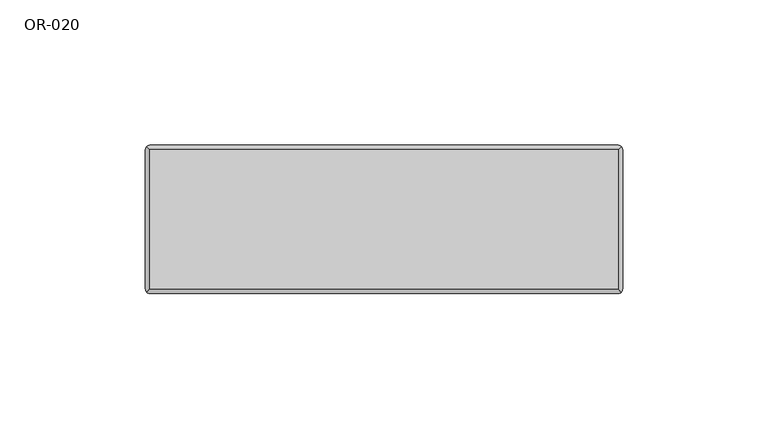
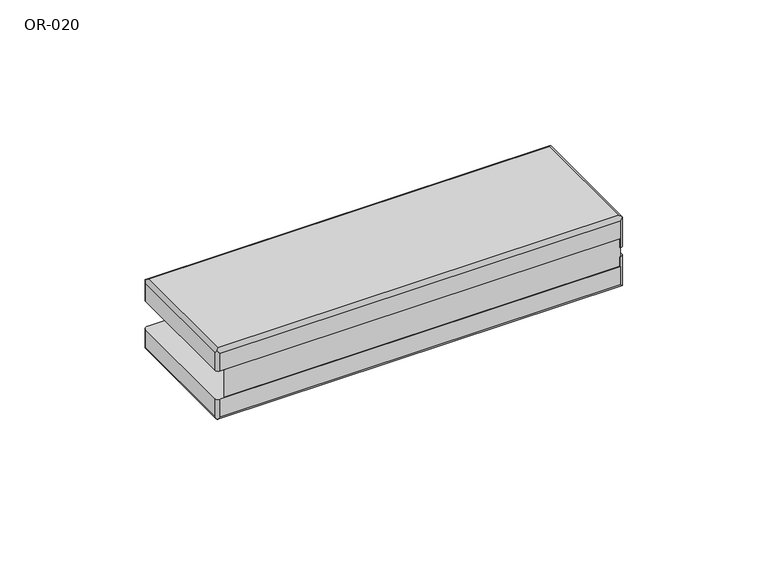
"""IFC4 building model written with IfcOpenShell, lengths in millimetres: proxy geometry, OR-020."""

from ifc_helpers import new_model, si_unit, frame, origin, place, context, project, spatial, polyline, circle_curve, ellipse_curve, source, transform, mapped, element, save
from ifc_brep_helpers import plane_surface, cylinder_surface, revolved_surface, advanced_brep


def or_020_1e0fef49(model_context):
    return source(origin(), model_context, "Body", "AdvancedBrep", [
        advanced_brep(
        [(80.5, -13.9800324, -12.0), (82.0, -13.9800324, -12.0), (82.0, -1.5, -12.0), (80.5, 0.0, -12.0), (-80.5, 0.0, -12.0), (-82.0, -1.5, -12.0), (-82.0, -49.5, -12.0), (-80.5, -51.0, -12.0), (80.5, -51.0, -12.0), (80.5, -1.5, -21.0), (80.5, -49.5, -21.0), (-80.5, -49.5, -21.0), (-80.5, -1.5, -21.0), (-80.5, -51.0, -19.5), (80.5, -51.0, -19.5), (-82.0, -1.5, -19.5), (-82.0, -49.5, -19.5), (80.5, 0.0, -19.5), (-80.5, 0.0, -19.5), (82.0, -13.9800324, -8.0), (82.0, -49.5, -8.0), (82.0, -49.5, -19.5), (82.0, -1.5, -19.5), (81.5606602, -0.4393398, -20.5606602), (81.5606602, -50.5606602, -20.5606602), (80.5, -51.0, -8.0), (-81.5606602, -0.4393398, -20.5606602), (-81.5606602, -50.5606602, -20.5606602), (80.5, -13.9800324, -8.0)],
        [
            (0, 1),
            (1, 2),
            (2, 3, circle_curve(frame((80.5, -1.5, -12.0), z_axis=(0.0, 0.0, 1.0), x_axis=(0.0, 1.0, 0.0)), 1.5)),
            (3, 4),
            (4, 5, circle_curve(frame((-80.5, -1.5, -12.0), z_axis=(0.0, 0.0, 1.0), x_axis=(0.0, 1.0, 0.0)), 1.5)),
            (5, 6),
            (6, 7, circle_curve(frame((-80.5, -49.5, -12.0), z_axis=(0.0, 0.0, 1.0), x_axis=(0.0, 1.0, 0.0)), 1.5)),
            (7, 8),
            (8, 0),
            (9, 10),
            (10, 11),
            (11, 12),
            (12, 9),
            (7, 13),
            (13, 14),
            (14, 8),
            (5, 15),
            (15, 16),
            (16, 6),
            (3, 17),
            (17, 18),
            (18, 4),
            (1, 19),
            (19, 20),
            (20, 21),
            (21, 22),
            (22, 2),
            (22, 23, ellipse_curve(frame((80.5, -1.5, -19.5), z_axis=(0.0, 0.7071067811865475, 0.7071067811865475), x_axis=(0.0, -0.7071067811865474, 0.7071067811865476)), 2.1213203, 1.5)),
            (23, 17, ellipse_curve(frame((80.5, -1.5, -19.5), z_axis=(0.7071067811865475, 0.0, 0.7071067811865475), x_axis=(-0.7071067811865474, 0.0, 0.7071067811865476)), 2.1213203, 1.5)),
            (14, 24, ellipse_curve(frame((80.5, -49.5, -19.5), z_axis=(0.7071067811865475, 0.0, 0.7071067811865475), x_axis=(-0.7071067811865474, 0.0, 0.7071067811865476)), 2.1213203, 1.5)),
            (24, 21, ellipse_curve(frame((80.5, -49.5, -19.5), z_axis=(0.0, -0.7071067811865475, 0.7071067811865475), x_axis=(0.0, 0.7071067811865474, 0.7071067811865476)), 2.1213203, 1.5)),
            (20, 25, circle_curve(frame((80.5, -49.5, -8.0), z_axis=(0.0, 0.0, -1.0), x_axis=(0.0, 1.0, 0.0)), 1.5)),
            (25, 8),
            (18, 26, ellipse_curve(frame((-80.5, -1.5, -19.5), z_axis=(-0.7071067811865475, 0.0, 0.7071067811865475), x_axis=(0.7071067811865474, 0.0, 0.7071067811865476)), 2.1213203, 1.5)),
            (26, 15, ellipse_curve(frame((-80.5, -1.5, -19.5), z_axis=(0.0, 0.7071067811865475, 0.7071067811865475), x_axis=(0.0, -0.7071067811865474, 0.7071067811865476)), 2.1213203, 1.5)),
            (16, 27, ellipse_curve(frame((-80.5, -49.5, -19.5), z_axis=(0.0, -0.7071067811865475, 0.7071067811865475), x_axis=(0.0, 0.7071067811865474, 0.7071067811865476)), 2.1213203, 1.5)),
            (27, 13, ellipse_curve(frame((-80.5, -49.5, -19.5), z_axis=(-0.7071067811865475, 0.0, 0.7071067811865475), x_axis=(0.7071067811865474, 0.0, 0.7071067811865476)), 2.1213203, 1.5)),
            (9, 23, ellipse_curve(frame((80.5, -1.5, -19.5), z_axis=(0.7071067811865475, -0.7071067811865475, 0.0), x_axis=(0.7071067811865474, 0.7071067811865476, 0.0)), 2.1213203, 1.5)),
            (24, 10, ellipse_curve(frame((80.5, -49.5, -19.5), z_axis=(0.7071067811865475, 0.7071067811865475, 0.0), x_axis=(-0.7071067811865474, 0.7071067811865476, 0.0)), 2.1213203, 1.5)),
            (12, 26, ellipse_curve(frame((-80.5, -1.5, -19.5), z_axis=(0.7071067811865475, 0.7071067811865475, 0.0), x_axis=(-0.7071067811865476, 0.7071067811865474, 0.0)), 2.1213203, 1.5)),
            (11, 27, ellipse_curve(frame((-80.5, -49.5, -19.5), z_axis=(-0.7071067811865475, 0.7071067811865475, 0.0), x_axis=(-0.7071067811865474, -0.7071067811865476, 0.0)), 2.1213203, 1.5)),
            (19, 28),
            (28, 25),
            (0, 28),
        ],
        [
            plane_surface(frame((82.0, -51.0, -12.0), z_axis=(0.0, 0.0, 1.0), x_axis=(0.0, 1.0, 0.0))),
            plane_surface(frame((82.0, -51.0, -21.0), z_axis=(0.0, 0.0, -1.0), x_axis=(0.0, -1.0, 0.0))),
            plane_surface(frame((-82.0, -51.0, -12.0), z_axis=(0.0, -1.0, 0.0), x_axis=(0.0, 0.0, -1.0))),
            plane_surface(frame((-82.0, 0.0, -12.0), z_axis=(-1.0, 0.0, 0.0), x_axis=(0.0, 0.0, -1.0))),
            plane_surface(frame((82.0, 0.0, -12.0), z_axis=(0.0, 1.0, 0.0), x_axis=(0.0, 0.0, -1.0))),
            plane_surface(frame((82.0, -51.0, -12.0), z_axis=(1.0, 0.0, 0.0), x_axis=(0.0, 0.0, -1.0))),
            cylinder_surface(frame((80.5, -1.5, 9.0), z_axis=(0.0, 0.0, 1.0), x_axis=(0.0, 1.0, 0.0)), 1.5),
            cylinder_surface(frame((80.5, -49.5, -12.0), z_axis=(0.0, 0.0, 1.0), x_axis=(0.0, 1.0, 0.0)), 1.5),
            cylinder_surface(frame((-80.5, -1.5, -12.0), z_axis=(0.0, 0.0, 1.0), x_axis=(0.0, 1.0, 0.0)), 1.5),
            cylinder_surface(frame((-80.5, -49.5, -12.0), z_axis=(0.0, 0.0, 1.0), x_axis=(0.0, 1.0, 0.0)), 1.5),
            cylinder_surface(frame((80.5, -51.0, -19.5), z_axis=(0.0, 1.0, 0.0), x_axis=(1.0, 0.0, 0.0)), 1.5),
            cylinder_surface(frame((82.0, -1.5, -19.5), z_axis=(-1.0, 0.0, 0.0), x_axis=(0.0, 1.0, 0.0)), 1.5),
            cylinder_surface(frame((-80.5, 0.0, -19.5), z_axis=(0.0, -1.0, 0.0), x_axis=(-1.0, 0.0, 0.0)), 1.5),
            cylinder_surface(frame((-82.0, -49.5, -19.5), z_axis=(1.0, 0.0, 0.0), x_axis=(0.0, -1.0, 0.0)), 1.5),
            plane_surface(frame((80.5, -13.9800324, -8.0), z_axis=(0.0, 0.0, 1.0), x_axis=(-1.0, 0.0, 0.0))),
            plane_surface(frame((82.0, -13.9800324, -8.0), z_axis=(0.0, 1.0, 0.0), x_axis=(0.0, 0.0, -1.0))),
            plane_surface(frame((80.5, -13.9800324, -8.0), z_axis=(-1.0, 0.0, 0.0), x_axis=(0.0, 0.0, -1.0))),
        ],
        [
            (0, [[1, 2, 3, 4, 5, 6, 7, 8, 9]]),
            (1, [[10, 11, 12, 13]]),
            (2, [[-8, 14, 15, 16]]),
            (3, [[-6, 17, 18, 19]]),
            (4, [[-4, 20, 21, 22]]),
            (5, [[23, 24, 25, 26, 27, -2]]),
            (6, [[-3, -27, 28, 29, -20]]),
            (7, [[-16, 30, 31, -25, 32, 33]]),
            (8, [[-5, -22, 34, 35, -17]]),
            (9, [[-7, -19, 36, 37, -14]]),
            (10, [[-10, 38, -28, -26, -31, 39]]),
            (11, [[-13, 40, -34, -21, -29, -38]]),
            (12, [[-12, 41, -36, -18, -35, -40]]),
            (13, [[-11, -39, -30, -15, -37, -41]]),
            (14, [[42, 43, -32, -24]]),
            (15, [[-42, -23, -1, 44]]),
            (16, [[-43, -44, -9, -33]]),
        ],
    ),
        advanced_brep(
        [(80.5, -1.5, 9.0), (-80.5, -1.5, 9.0), (-80.5, -49.5, 9.0), (80.5, -49.5, 9.0), (80.5, -13.9800324, 0.0), (80.5, -51.0, 0.0), (-80.5, -51.0, 0.0), (-82.0, -49.5, 0.0), (-82.0, -1.5, 0.0), (-80.5, 0.0, 0.0), (80.5, 0.0, 0.0), (82.0, -1.5, 0.0), (82.0, -13.9800324, 0.0), (80.5, -51.0, 7.5), (-80.5, -51.0, 7.5), (-82.0, -49.5, 7.5), (-82.0, -1.5, 7.5), (-80.5, 0.0, 7.5), (80.5, 0.0, 7.5), (82.0, -13.9800324, -4.0), (82.0, -1.5, 7.5), (82.0, -49.5, 7.5), (82.0, -49.5, -4.0), (81.5606602, -0.4393398, 8.5606602), (-81.5606602, -0.4393398, 8.5606602), (81.5606602, -50.5606602, 8.5606602), (-81.5606602, -50.5606602, 8.5606602), (80.5, -51.0, -4.0), (80.5, -13.9800324, -4.0)],
        [
            (0, 1),
            (1, 2),
            (2, 3),
            (3, 0),
            (4, 5),
            (5, 6),
            (6, 7, circle_curve(frame((-80.5, -49.5, 0.0), z_axis=(0.0, 0.0, -1.0), x_axis=(0.0, 1.0, 0.0)), 1.5)),
            (7, 8),
            (8, 9, circle_curve(frame((-80.5, -1.5, 0.0), z_axis=(0.0, 0.0, -1.0), x_axis=(0.0, 1.0, 0.0)), 1.5)),
            (9, 10),
            (10, 11, circle_curve(frame((80.5, -1.5, 0.0), z_axis=(0.0, 0.0, -1.0), x_axis=(0.0, 1.0, 0.0)), 1.5)),
            (11, 12),
            (12, 4),
            (5, 13),
            (13, 14),
            (14, 6),
            (7, 15),
            (15, 16),
            (16, 8),
            (9, 17),
            (17, 18),
            (18, 10),
            (19, 12),
            (11, 20),
            (20, 21),
            (21, 22),
            (22, 19),
            (0, 23, ellipse_curve(frame((80.5, -1.5, 7.5), z_axis=(-0.7071067811865475, 0.7071067811865475, 0.0), x_axis=(0.7071067811865476, 0.7071067811865474, 0.0)), 2.1213203, 1.5)),
            (23, 18, ellipse_curve(frame((80.5, -1.5, 7.5), z_axis=(-0.7071067811865475, 0.0, 0.7071067811865475), x_axis=(0.7071067811865476, 0.0, 0.7071067811865474)), 2.1213203, 1.5)),
            (17, 24, ellipse_curve(frame((-80.5, -1.5, 7.5), z_axis=(0.7071067811865475, 0.0, 0.7071067811865475), x_axis=(0.7071067811865476, 0.0, -0.7071067811865474)), 2.1213203, 1.5)),
            (24, 1, ellipse_curve(frame((-80.5, -1.5, 7.5), z_axis=(0.7071067811865475, 0.7071067811865475, 0.0), x_axis=(0.7071067811865476, -0.7071067811865474, 0.0)), 2.1213203, 1.5)),
            (3, 25, ellipse_curve(frame((80.5, -49.5, 7.5), z_axis=(0.7071067811865475, 0.7071067811865475, 0.0), x_axis=(0.7071067811865474, -0.7071067811865476, 0.0)), 2.1213203, 1.5)),
            (25, 21, ellipse_curve(frame((80.5, -49.5, 7.5), z_axis=(0.0, 0.7071067811865475, 0.7071067811865475), x_axis=(0.0, -0.7071067811865476, 0.7071067811865474)), 2.1213203, 1.5)),
            (20, 23, ellipse_curve(frame((80.5, -1.5, 7.5), z_axis=(0.0, -0.7071067811865475, 0.7071067811865475), x_axis=(0.0, -0.7071067811865476, -0.7071067811865474)), 2.1213203, 1.5)),
            (2, 26, ellipse_curve(frame((-80.5, -49.5, 7.5), z_axis=(0.7071067811865475, -0.7071067811865475, 0.0), x_axis=(-0.7071067811865476, -0.7071067811865474, 0.0)), 2.1213203, 1.5)),
            (26, 14, ellipse_curve(frame((-80.5, -49.5, 7.5), z_axis=(0.7071067811865475, 0.0, 0.7071067811865475), x_axis=(-0.7071067811865476, 0.0, 0.7071067811865474)), 2.1213203, 1.5)),
            (13, 25, ellipse_curve(frame((80.5, -49.5, 7.5), z_axis=(-0.7071067811865475, 0.0, 0.7071067811865475), x_axis=(-0.7071067811865476, 0.0, -0.7071067811865474)), 2.1213203, 1.5)),
            (24, 16, ellipse_curve(frame((-80.5, -1.5, 7.5), z_axis=(0.0, -0.7071067811865475, 0.7071067811865475), x_axis=(0.0, 0.7071067811865476, 0.7071067811865474)), 2.1213203, 1.5)),
            (15, 26, ellipse_curve(frame((-80.5, -49.5, 7.5), z_axis=(0.0, 0.7071067811865475, 0.7071067811865475), x_axis=(0.0, 0.7071067811865476, -0.7071067811865474)), 2.1213203, 1.5)),
            (27, 28),
            (28, 19),
            (22, 27, circle_curve(frame((80.5, -49.5, -4.0), z_axis=(0.0, 0.0, -1.0), x_axis=(0.0, 1.0, 0.0)), 1.5)),
            (27, 5),
            (4, 28),
        ],
        [
            plane_surface(frame((82.0, -51.0, 9.0), z_axis=(0.0, 0.0, 1.0), x_axis=(0.0, 1.0, 0.0))),
            plane_surface(frame((82.0, -51.0, 0.0), z_axis=(0.0, 0.0, -1.0), x_axis=(0.0, -1.0, 0.0))),
            plane_surface(frame((-82.0, -51.0, 9.0), z_axis=(0.0, -1.0, 0.0), x_axis=(0.0, 0.0, -1.0))),
            plane_surface(frame((-82.0, 0.0, 9.0), z_axis=(-1.0, 0.0, 0.0), x_axis=(0.0, 0.0, -1.0))),
            plane_surface(frame((82.0, 0.0, 9.0), z_axis=(0.0, 1.0, 0.0), x_axis=(0.0, 0.0, -1.0))),
            plane_surface(frame((82.0, -51.0, 9.0), z_axis=(1.0, 0.0, 0.0), x_axis=(0.0, 0.0, -1.0))),
            cylinder_surface(frame((-82.0, -1.5, 7.5), z_axis=(1.0, 0.0, 0.0), x_axis=(0.0, 1.0, 0.0)), 1.5),
            cylinder_surface(frame((80.5, 0.0, 7.5), z_axis=(0.0, -1.0, 0.0), x_axis=(1.0, 0.0, 0.0)), 1.5),
            cylinder_surface(frame((82.0, -49.5, 7.5), z_axis=(-1.0, 0.0, 0.0), x_axis=(0.0, -1.0, 0.0)), 1.5),
            cylinder_surface(frame((-80.5, -51.0, 7.5), z_axis=(0.0, 1.0, 0.0), x_axis=(-1.0, 0.0, 0.0)), 1.5),
            plane_surface(frame((82.0, -13.9800324, -4.0), z_axis=(0.0, 0.0, -1.0), x_axis=(0.0, -1.0, 0.0))),
            plane_surface(frame((80.5, -51.0, -4.0), z_axis=(-1.0, 0.0, 0.0), x_axis=(0.0, 0.0, 1.0))),
            plane_surface(frame((80.5, -13.9800324, -4.0), z_axis=(0.0, 1.0, 0.0), x_axis=(0.0, 0.0, 1.0))),
            cylinder_surface(frame((80.5, -1.5, 9.0), z_axis=(0.0, 0.0, 1.0), x_axis=(0.0, 1.0, 0.0)), 1.5),
            cylinder_surface(frame((80.5, -49.5, -12.0), z_axis=(0.0, 0.0, 1.0), x_axis=(0.0, 1.0, 0.0)), 1.5),
            cylinder_surface(frame((-80.5, -1.5, -12.0), z_axis=(0.0, 0.0, 1.0), x_axis=(0.0, 1.0, 0.0)), 1.5),
            cylinder_surface(frame((-80.5, -49.5, -12.0), z_axis=(0.0, 0.0, 1.0), x_axis=(0.0, 1.0, 0.0)), 1.5),
        ],
        [
            (0, [[1, 2, 3, 4]]),
            (1, [[5, 6, 7, 8, 9, 10, 11, 12, 13]]),
            (2, [[-6, 14, 15, 16]]),
            (3, [[-8, 17, 18, 19]]),
            (4, [[-10, 20, 21, 22]]),
            (5, [[23, -12, 24, 25, 26, 27]]),
            (6, [[-1, 28, 29, -21, 30, 31]]),
            (7, [[-4, 32, 33, -25, 34, -28]]),
            (8, [[-3, 35, 36, -15, 37, -32]]),
            (9, [[-2, -31, 38, -18, 39, -35]]),
            (10, [[40, 41, -27, 42]]),
            (11, [[-40, 43, -5, 44]]),
            (12, [[-41, -44, -13, -23]]),
            (13, [[-11, -22, -29, -34, -24]]),
            (14, [[-14, -43, -42, -26, -33, -37]]),
            (15, [[-9, -19, -38, -30, -20]]),
            (16, [[-7, -16, -36, -39, -17]]),
        ],
    ),
        advanced_brep(
        [(13.9895431, -13.9800324, 0.0), (-40.1444524, -35.0726166, 0.0), (-79.0, -51.0, 0.0), (80.5, -51.0, 0.0), (80.5, -13.9800324, 0.0), (13.9895431, -13.9800324, -12.0), (80.5, -13.9800324, -12.0), (80.5, -51.0, -12.0), (-79.0, -51.0, -12.0), (-40.1444524, -35.0726166, -12.0)],
        [
            (0, 1, circle_curve(frame((13.9895431, -93.9936178, 0.0), z_axis=(0.0, 0.0, 1.0), x_axis=(1.0, 0.0, 0.0)), 80.0135854)),
            (1, 2, circle_curve(frame((-78.8529269, 3.9998034, 0.0), z_axis=(0.0, 0.0, -1.0), x_axis=(1.0, 0.0, 0.0)), 55.0)),
            (2, 3),
            (3, 4),
            (4, 0),
            (5, 6),
            (6, 7),
            (7, 8),
            (8, 9, circle_curve(frame((-78.8529269, 3.9998034, -12.0), z_axis=(0.0, 0.0, 1.0), x_axis=(1.0, 0.0, 0.0)), 55.0)),
            (9, 5, circle_curve(frame((13.9895431, -93.9936178, -12.0), z_axis=(0.0, 0.0, -1.0), x_axis=(1.0, 0.0, 0.0)), 80.0135854)),
            (4, 6),
            (5, 0),
            (3, 7),
            (2, 8),
            (1, 9),
        ],
        [
            plane_surface(frame((94.0031285, -93.9936178, 0.0), z_axis=(0.0, 0.0, 1.0), x_axis=(0.0, 1.0, 0.0))),
            plane_surface(frame((94.0031285, -93.9936178, -12.0), z_axis=(0.0, 0.0, -1.0), x_axis=(0.0, -1.0, 0.0))),
            plane_surface(frame((80.5, -13.9800324, 0.0), z_axis=(0.0, 1.0, 0.0), x_axis=(0.0, 0.0, -1.0))),
            plane_surface(frame((80.5, -51.0, 0.0), z_axis=(1.0, 0.0, 0.0), x_axis=(0.0, 0.0, -1.0))),
            plane_surface(frame((-79.0, -51.0, 0.0), z_axis=(0.0, -1.0, 0.0), x_axis=(0.0, 0.0, -1.0))),
            revolved_surface(polyline([(-23.8529269, 3.9998034, -12.0), (-23.8529269, 3.9998034, 0.0)]), (-78.8529269, 3.9998034, -12.0), (0.0, 0.0, -1.0)),
            cylinder_surface(frame((13.9895431, -93.9936178, -12.0), z_axis=(0.0, 0.0, 1.0), x_axis=(1.0, 0.0, 0.0)), 80.0135854),
        ],
        [
            (0, [[1, 2, 3, 4, 5]]),
            (1, [[6, 7, 8, 9, 10]]),
            (2, [[-5, 11, -6, 12]]),
            (3, [[-4, 13, -7, -11]]),
            (4, [[-3, 14, -8, -13]]),
            (5, [[-2, 15, -9, -14]]),
            (6, [[-1, -12, -10, -15]]),
        ],
    ),
    ])


if __name__ == "__main__":
    model = new_model("IFC4")
    model_context = context("Model", 3, world=origin())
    ifc_project = project(units=[si_unit("LENGTHUNIT", "METRE", prefix="MILLI")], contexts=[model_context])
    site = spatial("IfcSite", under=ifc_project)
    building = spatial("IfcBuilding", under=site)
    placement = place(None, origin())
    or_020_shape = or_020_1e0fef49(model_context)
    element("IfcBuildingElementProxy", 1, Name="OR-020", ObjectType="OR-020", at=placement, inside=building, context=model_context, shape_type="MappedRepresentation", body=[
        mapped(or_020_shape, transform((0.0, 0.0, 0.0), x_axis=(1.0, 0.0, 0.0), y_axis=(0.0, 1.0, 0.0), z_axis=(0.0, 0.0, 1.0))),
    ])
    save(model, "model.ifc")
